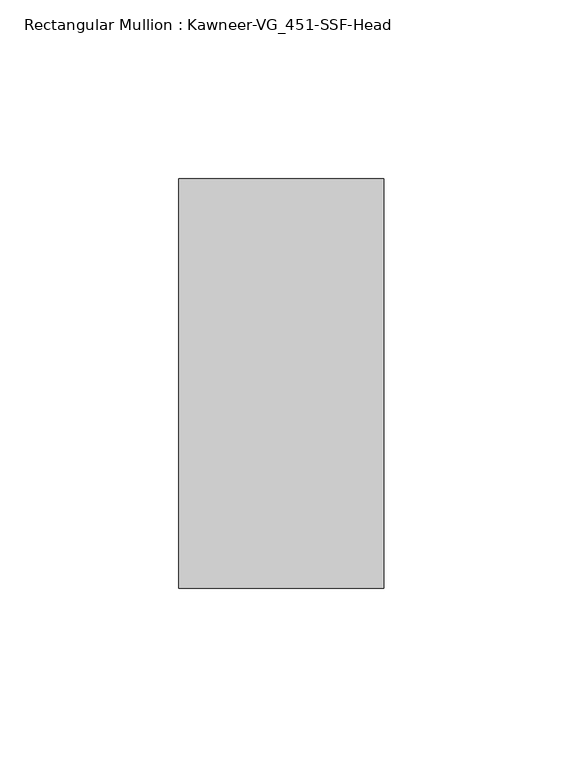
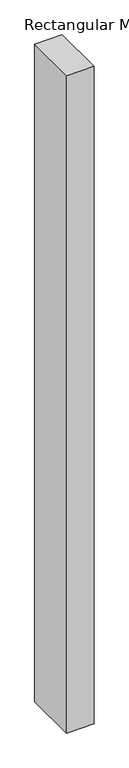
"""IFC4 building model written with IfcOpenShell, lengths in millimetres: member geometry, Rectangular Mullion : Kawneer-VG_451-SSF-Head."""

from ifc_helpers import new_model, si_unit, frame, origin, place, context, project, spatial, polyline, outline, extrude, source, transform, mapped, element, save


def rectangular_mullion_kawneer_vg_451_ssf_head_cba95f74(model_context):
    return source(origin(), model_context, "Body", "SweptSolid", [
        extrude(outline(polyline([(-57.15, -57.15), (-57.15, 57.15), (0.0, 57.15), (0.0, -57.15), (-57.15, -57.15)])), frame((0.0, 0.0, -1443.0375), z_axis=(0.0, 0.0, 1.0), x_axis=(1.0, 0.0, 0.0)), (0.0, 0.0, 1.0), 1443.0375),
    ])


if __name__ == "__main__":
    model = new_model("IFC4")
    model_context = context("Model", 3, world=origin())
    ifc_project = project(units=[si_unit("LENGTHUNIT", "METRE", prefix="MILLI")], contexts=[model_context])
    site = spatial("IfcSite", under=ifc_project)
    building = spatial("IfcBuilding", under=site)
    placement = place(None, origin())
    rectangular_mullion_kawneer_vg_451_ssf_head_shape = rectangular_mullion_kawneer_vg_451_ssf_head_cba95f74(model_context)
    element("IfcMember", 1, ObjectType="Rectangular Mullion : Kawneer-VG_451-SSF-Head", at=placement, inside=building, context=model_context, shape_type="MappedRepresentation", body=[
        mapped(rectangular_mullion_kawneer_vg_451_ssf_head_shape, transform((0.0, 0.0, 0.0), x_axis=(1.0, 0.0, 0.0), y_axis=(0.0, 1.0, 0.0), z_axis=(0.0, 0.0, 1.0))),
    ])
    save(model, "model.ifc")
